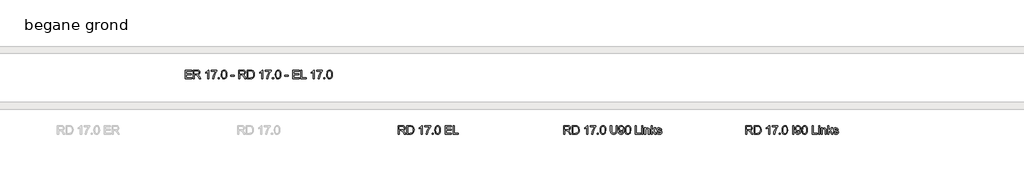
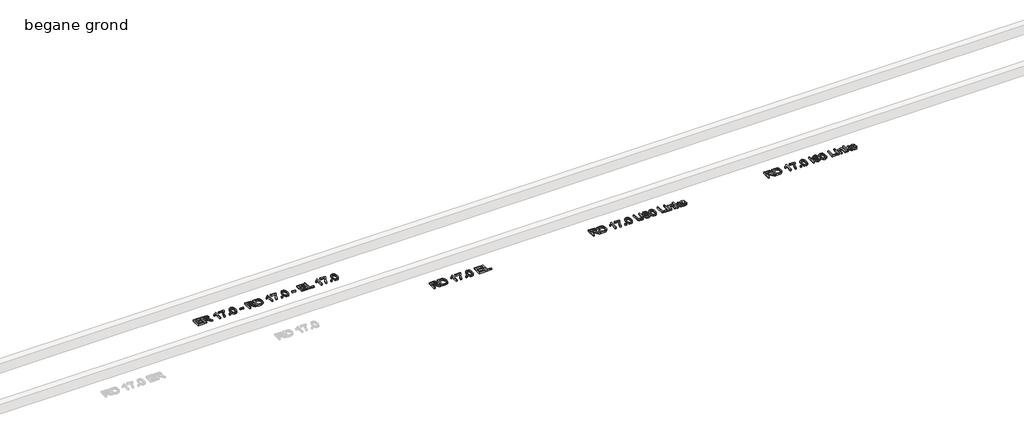
# One storey, part 4 of 4: 4 proxies.
"""IFC4 building model written with IfcOpenShell, lengths in millimetres."""

from ifc_helpers import new_model, si_unit, origin, origin_with_axes, place, context, project, spatial, polyline, outline, extrude, element, save

model = new_model("IFC4")

# Units and contexts
model_context = context("Model", 3, world=origin())
ifc_project = project(units=[si_unit("LENGTHUNIT", "METRE", prefix="MILLI")], contexts=[model_context])

# Site, building, storey
site = spatial("IfcSite", under=ifc_project)
building = spatial("IfcBuilding", under=site)
storey = spatial("IfcBuildingStorey", under=building, Name="begane grond", Elevation=0.0)

# Proxies
placement = place(None, origin())
element("IfcBuildingElementProxy", 1, Name="Generic Models", at=placement, inside=storey, context=model_context, shape_type="SweptSolid", body=[
    extrude(outline(polyline([(-1065.8217936, 32457.4574186), (-1065.8217936, 32580.5343417), (-977.3602552, 32580.5343417), (-977.3602552, 32565.1497263), (-1050.4371783, 32565.1497263), (-1050.4371783, 32528.6112647), (-981.206409, 32528.6112647), (-981.206409, 32513.2266494), (-1050.4371783, 32513.2266494), (-1050.4371783, 32472.842034), (-975.4371783, 32472.842034), (-975.4371783, 32457.4574186), (-1065.8217936, 32457.4574186)])), origin_with_axes(), (0.0, 0.0, 1.0), 20.0),
    extrude(outline(polyline([(-952.3602552, 32457.4574186), (-952.3602552, 32580.5343417), (-899.3253994, 32580.5343417), (-874.7010004, 32577.2140292), (-861.2394619, 32565.4652311), (-856.206409, 32546.8504474), (-858.2909944, 32534.7260484), (-864.5447504, 32524.6749667), (-875.1554775, 32517.3056758), (-890.3109763, 32513.2266494), (-881.566986, 32506.6461205), (-869.097034, 32490.810784), (-848.5741975, 32457.4574186), (-866.4528033, 32457.4574186), (-882.4684283, 32482.9682359), (-894.0369379, 32499.8552551), (-902.1649427, 32507.8330195), (-909.4816494, 32510.762707), (-918.4059283, 32511.3035724), (-936.9756398, 32511.3035724), (-936.9756398, 32457.4574186), (-952.3602552, 32457.4574186)]), holes=[polyline([(-936.9756398, 32526.6881878), (-902.5405436, 32526.6881878), (-884.9774427, 32528.8666734), (-875.0014811, 32535.8378272), (-871.5910244, 32546.279534), (-873.2173766, 32553.7840412), (-878.0964331, 32559.8312167), (-886.4911146, 32563.8200989), (-898.6643417, 32565.1497263), (-936.9756398, 32565.1497263), (-936.9756398, 32526.6881878)])]), origin_with_axes(), (0.0, 0.0, 1.0), 20.0),
    extrude(outline(polyline([(-729.2833321, 32457.4574186), (-744.6679475, 32457.4574186), (-744.6679475, 32553.3708801), (-759.2412648, 32542.9892695), (-775.4371783, 32535.2218417), (-775.4371783, 32549.7651109), (-752.8860965, 32564.1581397), (-739.1991975, 32580.5343417), (-729.2833321, 32580.5343417), (-729.2833321, 32457.4574186)])), origin_with_axes(), (0.0, 0.0, 1.0), 20.0),
    extrude(outline(polyline([(-692.7448706, 32563.2266494), (-692.7448706, 32578.6112647), (-611.9756398, 32578.6112647), (-611.9756398, 32566.1713609), (-634.8872985, 32533.0734042), (-652.4203513, 32490.9009282), (-658.129486, 32457.4574186), (-673.5141013, 32457.4574186), (-667.3993177, 32492.1629474), (-650.6174667, 32531.3907119), (-627.3602552, 32563.2266494), (-692.7448706, 32563.2266494)])), origin_with_axes(), (0.0, 0.0, 1.0), 20.0),
    extrude(outline(polyline([(-590.8217936, 32457.4574186), (-590.8217936, 32472.842034), (-575.4371783, 32472.842034), (-575.4371783, 32457.4574186), (-590.8217936, 32457.4574186)])), origin_with_axes(), (0.0, 0.0, 1.0), 20.0),
    extrude(outline(polyline([(-550.4371783, 32518.0042936), (-545.9149427, 32553.4159522), (-540.2959523, 32565.3788429), (-532.4834523, 32573.8336205), (-522.4211025, 32578.8591614), (-510.0525629, 32580.5343417), (-492.0838129, 32576.5679955), (-479.6739571, 32565.1347022), (-472.4624186, 32546.9255676), (-469.6679475, 32518.0042936), (-474.145111, 32482.7428753), (-479.7302972, 32470.7687167), (-487.5315292, 32462.2801349), (-497.616415, 32457.22079), (-510.0525629, 32455.5343417), (-526.0381398, 32458.4640292), (-538.1775629, 32467.2530917), (-547.3722744, 32488.0688969), (-550.4371783, 32518.0042936)]), holes=[polyline([(-535.0525629, 32518.0343417), (-533.2496783, 32493.8343717), (-527.8410244, 32479.8282119), (-519.7881398, 32473.1462707), (-510.0525629, 32470.918957), (-500.316986, 32473.1537828), (-492.2641013, 32479.8582599), (-486.8554475, 32493.8719318), (-485.0525629, 32518.0343417), (-486.7953513, 32541.6896902), (-492.0237167, 32555.8047744), (-500.0615773, 32562.8134883), (-510.2328513, 32565.1497263), (-519.86326, 32563.091433), (-527.6006398, 32556.9165532), (-533.1895821, 32541.9225628), (-535.0525629, 32518.0343417)])]), origin_with_axes(), (0.0, 0.0, 1.0), 20.0),
    extrude(outline(polyline([(-411.9756398, 32493.9958801), (-411.9756398, 32509.3804955), (-363.8987167, 32509.3804955), (-363.8987167, 32493.9958801), (-411.9756398, 32493.9958801)])), origin_with_axes(), (0.0, 0.0, 1.0), 20.0),
    extrude(outline(polyline([(-296.5910244, 32457.4574186), (-296.5910244, 32580.5343417), (-243.5561686, 32580.5343417), (-218.9317696, 32577.2140292), (-205.4702311, 32565.4652311), (-200.4371783, 32546.8504474), (-202.5217636, 32534.7260484), (-208.7755196, 32524.6749667), (-219.3862468, 32517.3056758), (-234.5417456, 32513.2266494), (-225.7977552, 32506.6461205), (-213.3278033, 32490.810784), (-192.8049667, 32457.4574186), (-210.6835725, 32457.4574186), (-226.6991975, 32482.9682359), (-238.2677071, 32499.8552551), (-246.3957119, 32507.8330195), (-253.7124186, 32510.762707), (-262.6366975, 32511.3035724), (-281.206409, 32511.3035724), (-281.206409, 32457.4574186), (-296.5910244, 32457.4574186)]), holes=[polyline([(-281.206409, 32526.6881878), (-246.7713129, 32526.6881878), (-229.2082119, 32528.8666734), (-219.2322504, 32535.8378272), (-215.8217936, 32546.279534), (-217.4481458, 32553.7840412), (-222.3272023, 32559.8312167), (-230.7218838, 32563.8200989), (-242.895111, 32565.1497263), (-281.206409, 32565.1497263), (-281.206409, 32526.6881878)])]), origin_with_axes(), (0.0, 0.0, 1.0), 20.0),
    extrude(outline(polyline([(-173.5141013, 32457.4574186), (-173.5141013, 32580.5343417), (-131.0561686, 32580.5343417), (-109.0910244, 32578.7615051), (-91.0020821, 32569.9574186), (-82.4909643, 32560.5824186), (-76.4287648, 32548.9237647), (-71.5910244, 32519.6569378), (-74.8662648, 32494.8222022), (-83.2797263, 32476.8985244), (-94.5177071, 32465.7356638), (-109.2262408, 32459.560784), (-129.0128994, 32457.4574186), (-173.5141013, 32457.4574186)]), holes=[polyline([(-158.129486, 32472.842034), (-130.9059283, 32472.842034), (-111.1042456, 32475.0655917), (-99.6859763, 32481.3456397), (-90.3260004, 32496.6250869), (-86.9756398, 32519.8973224), (-88.617016, 32536.6641494), (-93.5411446, 32549.043957), (-100.8165352, 32557.5475628), (-109.5116975, 32562.685784), (-131.3266013, 32565.1497263), (-158.129486, 32565.1497263), (-158.129486, 32472.842034)])]), origin_with_axes(), (0.0, 0.0, 1.0), 20.0),
    extrude(outline(polyline([(49.5628217, 32457.4574186), (34.1782064, 32457.4574186), (34.1782064, 32553.3708801), (19.604889, 32542.9892695), (3.4089756, 32535.2218417), (3.4089756, 32549.7651109), (25.9600573, 32564.1581397), (39.6469564, 32580.5343417), (49.5628217, 32580.5343417), (49.5628217, 32457.4574186)])), origin_with_axes(), (0.0, 0.0, 1.0), 20.0),
    extrude(outline(polyline([(86.1012833, 32563.2266494), (86.1012833, 32578.6112647), (166.870514, 32578.6112647), (166.870514, 32566.1713609), (143.9588554, 32533.0734042), (126.4258025, 32490.9009282), (120.7166679, 32457.4574186), (105.3320525, 32457.4574186), (111.4468362, 32492.1629474), (128.2286871, 32531.3907119), (151.4858987, 32563.2266494), (86.1012833, 32563.2266494)])), origin_with_axes(), (0.0, 0.0, 1.0), 20.0),
    extrude(outline(polyline([(188.0243602, 32457.4574186), (188.0243602, 32472.842034), (203.4089756, 32472.842034), (203.4089756, 32457.4574186), (188.0243602, 32457.4574186)])), origin_with_axes(), (0.0, 0.0, 1.0), 20.0),
    extrude(outline(polyline([(228.4089756, 32518.0042936), (232.9312112, 32553.4159522), (238.5502015, 32565.3788429), (246.3627015, 32573.8336205), (256.4250513, 32578.8591614), (268.793591, 32580.5343417), (286.762341, 32576.5679955), (299.1721967, 32565.1347022), (306.3837352, 32546.9255676), (309.1782064, 32518.0042936), (304.7010429, 32482.7428753), (299.1158566, 32470.7687167), (291.3146246, 32462.2801349), (281.2297388, 32457.22079), (268.793591, 32455.5343417), (252.808014, 32458.4640292), (240.668591, 32467.2530917), (231.4738794, 32488.0688969), (228.4089756, 32518.0042936)]), holes=[polyline([(243.793591, 32518.0343417), (245.5964756, 32493.8343717), (251.0051294, 32479.8282119), (259.058014, 32473.1462707), (268.793591, 32470.918957), (278.5291679, 32473.1537828), (286.5820525, 32479.8582599), (291.9907064, 32493.8719318), (293.793591, 32518.0343417), (292.0508025, 32541.6896902), (286.8224371, 32555.8047744), (278.7845765, 32562.8134883), (268.6133025, 32565.1497263), (258.9828939, 32563.091433), (251.245514, 32556.9165532), (245.6565717, 32541.9225628), (243.793591, 32518.0343417)])]), origin_with_axes(), (0.0, 0.0, 1.0), 20.0),
    extrude(outline(polyline([(366.870514, 32493.9958801), (366.870514, 32509.3804955), (414.9474371, 32509.3804955), (414.9474371, 32493.9958801), (366.870514, 32493.9958801)])), origin_with_axes(), (0.0, 0.0, 1.0), 20.0),
    extrude(outline(polyline([(482.2551294, 32457.4574186), (482.2551294, 32580.5343417), (570.7166679, 32580.5343417), (570.7166679, 32565.1497263), (497.6397448, 32565.1497263), (497.6397448, 32528.6112647), (566.870514, 32528.6112647), (566.870514, 32513.2266494), (497.6397448, 32513.2266494), (497.6397448, 32472.842034), (572.6397448, 32472.842034), (572.6397448, 32457.4574186), (482.2551294, 32457.4574186)])), origin_with_axes(), (0.0, 0.0, 1.0), 20.0),
    extrude(outline(polyline([(595.7166679, 32457.4574186), (595.7166679, 32580.5343417), (611.1012833, 32580.5343417), (611.1012833, 32472.842034), (672.6397448, 32472.842034), (672.6397448, 32457.4574186), (595.7166679, 32457.4574186)])), origin_with_axes(), (0.0, 0.0, 1.0), 20.0),
    extrude(outline(polyline([(789.9474371, 32457.4574186), (774.5628217, 32457.4574186), (774.5628217, 32553.3708801), (759.9895044, 32542.9892695), (743.793591, 32535.2218417), (743.793591, 32549.7651109), (766.3446727, 32564.1581397), (780.0315717, 32580.5343417), (789.9474371, 32580.5343417), (789.9474371, 32457.4574186)])), origin_with_axes(), (0.0, 0.0, 1.0), 20.0),
    extrude(outline(polyline([(826.4858987, 32563.2266494), (826.4858987, 32578.6112647), (907.2551294, 32578.6112647), (907.2551294, 32566.1713609), (884.3434708, 32533.0734042), (866.8104179, 32490.9009282), (861.1012833, 32457.4574186), (845.7166679, 32457.4574186), (851.8314515, 32492.1629474), (868.6133025, 32531.3907119), (891.870514, 32563.2266494), (826.4858987, 32563.2266494)])), origin_with_axes(), (0.0, 0.0, 1.0), 20.0),
    extrude(outline(polyline([(928.4089756, 32457.4574186), (928.4089756, 32472.842034), (943.793591, 32472.842034), (943.793591, 32457.4574186), (928.4089756, 32457.4574186)])), origin_with_axes(), (0.0, 0.0, 1.0), 20.0),
    extrude(outline(polyline([(968.793591, 32518.0042936), (973.3158265, 32553.4159522), (978.9348169, 32565.3788429), (986.7473169, 32573.8336205), (996.8096667, 32578.8591614), (1009.1782064, 32580.5343417), (1027.1469564, 32576.5679955), (1039.5568121, 32565.1347022), (1046.7683506, 32546.9255676), (1049.5628217, 32518.0042936), (1045.0856583, 32482.7428753), (1039.500472, 32470.7687167), (1031.69924, 32462.2801349), (1021.6143542, 32457.22079), (1009.1782064, 32455.5343417), (993.1926294, 32458.4640292), (981.0532064, 32467.2530917), (971.8584948, 32488.0688969), (968.793591, 32518.0042936)]), holes=[polyline([(984.1782064, 32518.0343417), (985.981091, 32493.8343717), (991.3897448, 32479.8282119), (999.4426294, 32473.1462707), (1009.1782064, 32470.918957), (1018.9137833, 32473.1537828), (1026.9666679, 32479.8582599), (1032.3753217, 32493.8719318), (1034.1782064, 32518.0343417), (1032.4354179, 32541.6896902), (1027.2070525, 32555.8047744), (1019.1691919, 32562.8134883), (1008.9979179, 32565.1497263), (999.3675092, 32563.091433), (991.6301294, 32556.9165532), (986.0411871, 32541.9225628), (984.1782064, 32518.0343417)])]), origin_with_axes(), (0.0, 0.0, 1.0), 20.0),
])
element("IfcBuildingElementProxy", 2, Name="Generic Models", at=placement, inside=storey, context=model_context, shape_type="SweptSolid", body=[
    extrude(outline(polyline([(2001.4858987, 31657.4574186), (2001.4858987, 31780.5343417), (2054.5207544, 31780.5343417), (2079.1451535, 31777.2140292), (2092.6066919, 31765.4652311), (2097.6397448, 31746.8504474), (2095.5551595, 31734.7260484), (2089.3014035, 31724.6749667), (2078.6906763, 31717.3056758), (2063.5351775, 31713.2266494), (2072.2791679, 31706.6461205), (2084.7491198, 31690.810784), (2105.2719564, 31657.4574186), (2087.3933506, 31657.4574186), (2071.3777256, 31682.9682359), (2059.809216, 31699.8552551), (2051.6812112, 31707.8330195), (2044.3645044, 31710.762707), (2035.4402256, 31711.3035724), (2016.870514, 31711.3035724), (2016.870514, 31657.4574186), (2001.4858987, 31657.4574186)]), holes=[polyline([(2016.870514, 31726.6881878), (2051.3056102, 31726.6881878), (2068.8687112, 31728.8666734), (2078.8446727, 31735.8378272), (2082.2551294, 31746.279534), (2080.6287773, 31753.7840412), (2075.7497208, 31759.8312167), (2067.3550393, 31763.8200989), (2055.1818121, 31765.1497263), (2016.870514, 31765.1497263), (2016.870514, 31726.6881878)])]), origin_with_axes(), (0.0, 0.0, 1.0), 20.0),
    extrude(outline(polyline([(2124.5628217, 31657.4574186), (2124.5628217, 31780.5343417), (2167.0207544, 31780.5343417), (2188.9858987, 31778.7615051), (2207.074841, 31769.9574186), (2215.5859588, 31760.5824186), (2221.6481583, 31748.9237647), (2226.4858987, 31719.6569378), (2223.2106583, 31694.8222022), (2214.7971967, 31676.8985244), (2203.559216, 31665.7356638), (2188.8506823, 31659.560784), (2169.0640237, 31657.4574186), (2124.5628217, 31657.4574186)]), holes=[polyline([(2139.9474371, 31672.842034), (2167.1709948, 31672.842034), (2186.9726775, 31675.0655917), (2198.3909467, 31681.3456397), (2207.7509227, 31696.6250869), (2211.1012833, 31719.8973224), (2209.4599071, 31736.6641494), (2204.5357785, 31749.043957), (2197.2603878, 31757.5475628), (2188.5652256, 31762.685784), (2166.7503217, 31765.1497263), (2139.9474371, 31765.1497263), (2139.9474371, 31672.842034)])]), origin_with_axes(), (0.0, 0.0, 1.0), 20.0),
    extrude(outline(polyline([(2347.6397448, 31657.4574186), (2332.2551294, 31657.4574186), (2332.2551294, 31753.3708801), (2317.6818121, 31742.9892695), (2301.4858987, 31735.2218417), (2301.4858987, 31749.7651109), (2324.0369804, 31764.1581397), (2337.7238794, 31780.5343417), (2347.6397448, 31780.5343417), (2347.6397448, 31657.4574186)])), origin_with_axes(), (0.0, 0.0, 1.0), 20.0),
    extrude(outline(polyline([(2384.1782064, 31763.2266494), (2384.1782064, 31778.6112647), (2464.9474371, 31778.6112647), (2464.9474371, 31766.1713609), (2442.0357785, 31733.0734042), (2424.5027256, 31690.9009282), (2418.793591, 31657.4574186), (2403.4089756, 31657.4574186), (2409.5237592, 31692.1629474), (2426.3056102, 31731.3907119), (2449.5628217, 31763.2266494), (2384.1782064, 31763.2266494)])), origin_with_axes(), (0.0, 0.0, 1.0), 20.0),
    extrude(outline(polyline([(2486.1012833, 31657.4574186), (2486.1012833, 31672.842034), (2501.4858987, 31672.842034), (2501.4858987, 31657.4574186), (2486.1012833, 31657.4574186)])), origin_with_axes(), (0.0, 0.0, 1.0), 20.0),
    extrude(outline(polyline([(2526.4858987, 31718.0042936), (2531.0081342, 31753.4159522), (2536.6271246, 31765.3788429), (2544.4396246, 31773.8336205), (2554.5019744, 31778.8591614), (2566.870514, 31780.5343417), (2584.839264, 31776.5679955), (2597.2491198, 31765.1347022), (2604.4606583, 31746.9255676), (2607.2551294, 31718.0042936), (2602.777966, 31682.7428753), (2597.1927797, 31670.7687167), (2589.3915477, 31662.2801349), (2579.3066619, 31657.22079), (2566.870514, 31655.5343417), (2550.8849371, 31658.4640292), (2538.745514, 31667.2530917), (2529.5508025, 31688.0688969), (2526.4858987, 31718.0042936)]), holes=[polyline([(2541.870514, 31718.0343417), (2543.6733987, 31693.8343717), (2549.0820525, 31679.8282119), (2557.1349371, 31673.1462707), (2566.870514, 31670.918957), (2576.606091, 31673.1537828), (2584.6589756, 31679.8582599), (2590.0676294, 31693.8719318), (2591.870514, 31718.0343417), (2590.1277256, 31741.6896902), (2584.8993602, 31755.8047744), (2576.8614996, 31762.8134883), (2566.6902256, 31765.1497263), (2557.0598169, 31763.091433), (2549.3224371, 31756.9165532), (2543.7334948, 31741.9225628), (2541.870514, 31718.0343417)])]), origin_with_axes(), (0.0, 0.0, 1.0), 20.0),
    extrude(outline(polyline([(2674.5628217, 31657.4574186), (2674.5628217, 31780.5343417), (2763.0243602, 31780.5343417), (2763.0243602, 31765.1497263), (2689.9474371, 31765.1497263), (2689.9474371, 31728.6112647), (2759.1782064, 31728.6112647), (2759.1782064, 31713.2266494), (2689.9474371, 31713.2266494), (2689.9474371, 31672.842034), (2764.9474371, 31672.842034), (2764.9474371, 31657.4574186), (2674.5628217, 31657.4574186)])), origin_with_axes(), (0.0, 0.0, 1.0), 20.0),
    extrude(outline(polyline([(2788.0243602, 31657.4574186), (2788.0243602, 31780.5343417), (2803.4089756, 31780.5343417), (2803.4089756, 31672.842034), (2864.9474371, 31672.842034), (2864.9474371, 31657.4574186), (2788.0243602, 31657.4574186)])), origin_with_axes(), (0.0, 0.0, 1.0), 20.0),
])
element("IfcBuildingElementProxy", 3, Name="Generic Models", at=placement, inside=storey, context=model_context, shape_type="SweptSolid", body=[
    extrude(outline(polyline([(4381.4858987, 31657.4574186), (4381.4858987, 31780.5343417), (4434.5207544, 31780.5343417), (4459.1451535, 31777.2140292), (4472.6066919, 31765.4652311), (4477.6397448, 31746.8504474), (4475.5551595, 31734.7260484), (4469.3014035, 31724.6749667), (4458.6906763, 31717.3056758), (4443.5351775, 31713.2266494), (4452.2791679, 31706.6461205), (4464.7491198, 31690.810784), (4485.2719564, 31657.4574186), (4467.3933506, 31657.4574186), (4451.3777256, 31682.9682359), (4439.809216, 31699.8552551), (4431.6812112, 31707.8330195), (4424.3645044, 31710.762707), (4415.4402256, 31711.3035724), (4396.870514, 31711.3035724), (4396.870514, 31657.4574186), (4381.4858987, 31657.4574186)]), holes=[polyline([(4396.870514, 31726.6881878), (4431.3056102, 31726.6881878), (4448.8687112, 31728.8666734), (4458.8446727, 31735.8378272), (4462.2551294, 31746.279534), (4460.6287773, 31753.7840412), (4455.7497208, 31759.8312167), (4447.3550393, 31763.8200989), (4435.1818121, 31765.1497263), (4396.870514, 31765.1497263), (4396.870514, 31726.6881878)])]), origin_with_axes(), (0.0, 0.0, 1.0), 20.0),
    extrude(outline(polyline([(4504.5628217, 31657.4574186), (4504.5628217, 31780.5343417), (4547.0207544, 31780.5343417), (4568.9858987, 31778.7615051), (4587.074841, 31769.9574186), (4595.5859588, 31760.5824186), (4601.6481583, 31748.9237647), (4606.4858987, 31719.6569378), (4603.2106583, 31694.8222022), (4594.7971967, 31676.8985244), (4583.559216, 31665.7356638), (4568.8506823, 31659.560784), (4549.0640237, 31657.4574186), (4504.5628217, 31657.4574186)]), holes=[polyline([(4519.9474371, 31672.842034), (4547.1709948, 31672.842034), (4566.9726775, 31675.0655917), (4578.3909467, 31681.3456397), (4587.7509227, 31696.6250869), (4591.1012833, 31719.8973224), (4589.4599071, 31736.6641494), (4584.5357785, 31749.043957), (4577.2603878, 31757.5475628), (4568.5652256, 31762.685784), (4546.7503217, 31765.1497263), (4519.9474371, 31765.1497263), (4519.9474371, 31672.842034)])]), origin_with_axes(), (0.0, 0.0, 1.0), 20.0),
    extrude(outline(polyline([(4727.6397448, 31657.4574186), (4712.2551294, 31657.4574186), (4712.2551294, 31753.3708801), (4697.6818121, 31742.9892695), (4681.4858987, 31735.2218417), (4681.4858987, 31749.7651109), (4704.0369804, 31764.1581397), (4717.7238794, 31780.5343417), (4727.6397448, 31780.5343417), (4727.6397448, 31657.4574186)])), origin_with_axes(), (0.0, 0.0, 1.0), 20.0),
    extrude(outline(polyline([(4764.1782064, 31763.2266494), (4764.1782064, 31778.6112647), (4844.9474371, 31778.6112647), (4844.9474371, 31766.1713609), (4822.0357785, 31733.0734042), (4804.5027256, 31690.9009282), (4798.793591, 31657.4574186), (4783.4089756, 31657.4574186), (4789.5237592, 31692.1629474), (4806.3056102, 31731.3907119), (4829.5628217, 31763.2266494), (4764.1782064, 31763.2266494)])), origin_with_axes(), (0.0, 0.0, 1.0), 20.0),
    extrude(outline(polyline([(4866.1012833, 31657.4574186), (4866.1012833, 31672.842034), (4881.4858987, 31672.842034), (4881.4858987, 31657.4574186), (4866.1012833, 31657.4574186)])), origin_with_axes(), (0.0, 0.0, 1.0), 20.0),
    extrude(outline(polyline([(4906.4858987, 31718.0042936), (4911.0081342, 31753.4159522), (4916.6271246, 31765.3788429), (4924.4396246, 31773.8336205), (4934.5019744, 31778.8591614), (4946.870514, 31780.5343417), (4964.839264, 31776.5679955), (4977.2491198, 31765.1347022), (4984.4606583, 31746.9255676), (4987.2551294, 31718.0042936), (4982.777966, 31682.7428753), (4977.1927797, 31670.7687167), (4969.3915477, 31662.2801349), (4959.3066619, 31657.22079), (4946.870514, 31655.5343417), (4930.8849371, 31658.4640292), (4918.745514, 31667.2530917), (4909.5508025, 31688.0688969), (4906.4858987, 31718.0042936)]), holes=[polyline([(4921.870514, 31718.0343417), (4923.6733987, 31693.8343717), (4929.0820525, 31679.8282119), (4937.1349371, 31673.1462707), (4946.870514, 31670.918957), (4956.606091, 31673.1537828), (4964.6589756, 31679.8582599), (4970.0676294, 31693.8719318), (4971.870514, 31718.0343417), (4970.1277256, 31741.6896902), (4964.8993602, 31755.8047744), (4956.8614996, 31762.8134883), (4946.6902256, 31765.1497263), (4937.0598169, 31763.091433), (4929.3224371, 31756.9165532), (4923.7334948, 31741.9225628), (4921.870514, 31718.0343417)])]), origin_with_axes(), (0.0, 0.0, 1.0), 20.0),
    extrude(outline(polyline([(5135.3320525, 31780.5343417), (5150.7166679, 31780.5343417), (5150.7166679, 31709.5307359), (5146.5399852, 31680.0986445), (5140.6881222, 31670.2203393), (5131.4858987, 31662.3702792), (5118.9107785, 31657.243326), (5102.9402256, 31655.5343417), (5087.3189816, 31657.0217215), (5074.8302496, 31661.4838609), (5065.4702737, 31668.7667635), (5059.2352977, 31678.716433), (5054.5628217, 31709.5307359), (5054.5628217, 31780.5343417), (5069.9474371, 31780.5343417), (5069.9474371, 31710.0716013), (5072.9822929, 31686.6190772), (5083.4089756, 31675.0054955), (5101.4979179, 31670.918957), (5117.145454, 31672.9396902), (5127.5496006, 31679.0018897), (5133.3864395, 31690.810784), (5135.3320525, 31710.0716013), (5135.3320525, 31780.5343417)])), origin_with_axes(), (0.0, 0.0, 1.0), 20.0),
    extrude(outline(polyline([(5173.793591, 31688.2266494), (5189.1782064, 31690.1497263), (5196.089264, 31675.4712407), (5209.1902256, 31670.918957), (5221.6451535, 31673.8486445), (5230.0886631, 31681.6761686), (5235.121716, 31695.0475628), (5237.3452737, 31712.8961205), (5237.2551294, 31715.9009282), (5224.9504419, 31704.2422744), (5208.0784467, 31699.7651109), (5194.0497508, 31702.4994859), (5182.3723169, 31710.7026109), (5174.4959648, 31723.3753873), (5171.870514, 31739.5187167), (5174.6236691, 31756.1953994), (5182.8831342, 31769.2663128), (5195.289234, 31777.7173344), (5210.4822929, 31780.5343417), (5221.9569023, 31778.9267695), (5232.402365, 31774.1040532), (5241.1388434, 31766.3065772), (5247.4864996, 31755.7747263), (5251.3514335, 31741.216433), (5252.6397448, 31721.3396301), (5251.3551895, 31700.2646602), (5247.5015237, 31683.9748465), (5241.1125513, 31671.7340111), (5232.2220765, 31662.8059763), (5221.2132124, 31657.3522503), (5208.4690717, 31655.5343417), (5195.3155261, 31657.6790232), (5184.8212352, 31664.1130676), (5177.4819924, 31674.430826), (5173.793591, 31688.2266494)]), holes=[polyline([(5237.2551294, 31739.8792936), (5235.5949732, 31750.3059763), (5230.6145044, 31758.3288128), (5222.8846366, 31763.4444979), (5212.9762833, 31765.1497263), (5202.699841, 31763.3130376), (5194.4666679, 31757.8029715), (5189.058014, 31749.3707299), (5187.2551294, 31738.7675147), (5188.9603578, 31729.2610544), (5194.0760429, 31721.7152311), (5202.1063915, 31716.7911025), (5212.5556102, 31715.1497263), (5222.3850874, 31716.7911025), (5230.2989996, 31721.7152311), (5235.516097, 31729.5389991), (5237.2551294, 31739.8792936)])]), origin_with_axes(), (0.0, 0.0, 1.0), 20.0),
    extrude(outline(polyline([(5266.1012833, 31718.0042936), (5270.6235189, 31753.4159522), (5276.2425092, 31765.3788429), (5284.0550092, 31773.8336205), (5294.117359, 31778.8591614), (5306.4858987, 31780.5343417), (5324.4546487, 31776.5679955), (5336.8645044, 31765.1347022), (5344.0760429, 31746.9255676), (5346.870514, 31718.0042936), (5342.3933506, 31682.7428753), (5336.8081643, 31670.7687167), (5329.0069323, 31662.2801349), (5318.9220465, 31657.22079), (5306.4858987, 31655.5343417), (5290.5003217, 31658.4640292), (5278.3608987, 31667.2530917), (5269.1661871, 31688.0688969), (5266.1012833, 31718.0042936)]), holes=[polyline([(5281.4858987, 31718.0343417), (5283.2887833, 31693.8343717), (5288.6974371, 31679.8282119), (5296.7503217, 31673.1462707), (5306.4858987, 31670.918957), (5316.2214756, 31673.1537828), (5324.2743602, 31679.8582599), (5329.683014, 31693.8719318), (5331.4858987, 31718.0343417), (5329.7431102, 31741.6896902), (5324.5147448, 31755.8047744), (5316.4768842, 31762.8134883), (5306.3056102, 31765.1497263), (5296.6752015, 31763.091433), (5288.9378217, 31756.9165532), (5283.3488794, 31741.9225628), (5281.4858987, 31718.0343417)])]), origin_with_axes(), (0.0, 0.0, 1.0), 20.0),
    extrude(outline(polyline([(5414.1782064, 31657.4574186), (5414.1782064, 31780.5343417), (5429.5628217, 31780.5343417), (5429.5628217, 31672.842034), (5491.1012833, 31672.842034), (5491.1012833, 31657.4574186), (5414.1782064, 31657.4574186)])), origin_with_axes(), (0.0, 0.0, 1.0), 20.0),
    extrude(outline(polyline([(5506.4858987, 31657.4574186), (5506.4858987, 31747.842034), (5521.870514, 31747.842034), (5521.870514, 31657.4574186), (5506.4858987, 31657.4574186)])), origin_with_axes(), (0.0, 0.0, 1.0), 20.0),
    extrude(outline(polyline([(5506.4858987, 31765.1497263), (5506.4858987, 31780.5343417), (5521.870514, 31780.5343417), (5521.870514, 31765.1497263), (5506.4858987, 31765.1497263)])), origin_with_axes(), (0.0, 0.0, 1.0), 20.0),
    extrude(outline(polyline([(5544.9474371, 31657.4574186), (5544.9474371, 31747.842034), (5560.3320525, 31747.842034), (5560.3320525, 31735.2218417), (5572.0958746, 31746.1292936), (5588.1565717, 31749.7651109), (5602.6848169, 31746.8354234), (5612.6006823, 31739.1431157), (5617.2130621, 31727.8300147), (5618.0243602, 31712.9562167), (5618.0243602, 31657.4574186), (5602.6397448, 31657.4574186), (5602.6397448, 31710.8828994), (5600.8669083, 31724.4946782), (5594.6018842, 31731.6911926), (5584.0399852, 31734.3804955), (5575.0293181, 31732.8705796), (5567.3482785, 31728.340832), (5562.086109, 31719.5893296), (5560.3320525, 31705.4141494), (5560.3320525, 31657.4574186), (5544.9474371, 31657.4574186)])), origin_with_axes(), (0.0, 0.0, 1.0), 20.0),
    extrude(outline(polyline([(5639.1782064, 31657.4574186), (5639.1782064, 31780.5343417), (5654.5628217, 31780.5343417), (5654.5628217, 31714.3985244), (5689.058014, 31747.842034), (5710.3320525, 31747.842034), (5675.4161871, 31713.9778513), (5712.2551294, 31657.4574186), (5694.2863794, 31657.4574186), (5664.3885429, 31703.2807359), (5654.5628217, 31693.7554955), (5654.5628217, 31657.4574186), (5639.1782064, 31657.4574186)])), origin_with_axes(), (0.0, 0.0, 1.0), 20.0),
    extrude(outline(polyline([(5719.9474371, 31684.3804955), (5735.3320525, 31686.3035724), (5742.4534467, 31674.8853032), (5758.7695525, 31670.918957), (5774.4546487, 31674.5547744), (5779.5628217, 31683.0884282), (5774.4246006, 31689.9994859), (5758.589264, 31694.3865051), (5735.4221967, 31701.9135484), (5725.3110189, 31710.7026109), (5721.870514, 31723.1124667), (5724.6349371, 31734.575808), (5732.1770044, 31743.3348224), (5741.9576535, 31747.8871061), (5755.1938314, 31749.7651109), (5773.9137833, 31746.7452792), (5785.8128217, 31738.5722022), (5791.1012833, 31724.7651109), (5775.7166679, 31722.842034), (5769.9324131, 31731.3306157), (5756.3957544, 31734.3804955), (5741.6721967, 31731.465832), (5737.2551294, 31724.6749667), (5739.0880621, 31720.1978032), (5744.8272448, 31716.8023705), (5758.0784467, 31713.5271301), (5780.6595765, 31706.2855436), (5791.1463554, 31698.0824186), (5794.9474371, 31684.7110244), (5790.4852977, 31669.9874667), (5777.6096967, 31659.3053753), (5758.559216, 31655.5343417), (5743.0468963, 31657.3522503), (5731.7262833, 31662.8059763), (5724.1691919, 31671.8354234), (5719.9474371, 31684.3804955)])), origin_with_axes(), (0.0, 0.0, 1.0), 20.0),
])
element("IfcBuildingElementProxy", 4, Name="Generic Models", at=placement, inside=storey, context=model_context, shape_type="SweptSolid", body=[
    extrude(outline(polyline([(7001.4858987, 31657.4574186), (7001.4858987, 31780.5343417), (7054.5207544, 31780.5343417), (7079.1451535, 31777.2140292), (7092.6066919, 31765.4652311), (7097.6397448, 31746.8504474), (7095.5551595, 31734.7260484), (7089.3014035, 31724.6749667), (7078.6906763, 31717.3056758), (7063.5351775, 31713.2266494), (7072.2791679, 31706.6461205), (7084.7491198, 31690.810784), (7105.2719564, 31657.4574186), (7087.3933506, 31657.4574186), (7071.3777256, 31682.9682359), (7059.809216, 31699.8552551), (7051.6812112, 31707.8330195), (7044.3645044, 31710.762707), (7035.4402256, 31711.3035724), (7016.870514, 31711.3035724), (7016.870514, 31657.4574186), (7001.4858987, 31657.4574186)]), holes=[polyline([(7016.870514, 31726.6881878), (7051.3056102, 31726.6881878), (7068.8687112, 31728.8666734), (7078.8446727, 31735.8378272), (7082.2551294, 31746.279534), (7080.6287773, 31753.7840412), (7075.7497208, 31759.8312167), (7067.3550393, 31763.8200989), (7055.1818121, 31765.1497263), (7016.870514, 31765.1497263), (7016.870514, 31726.6881878)])]), origin_with_axes(), (0.0, 0.0, 1.0), 20.0),
    extrude(outline(polyline([(7124.5628217, 31657.4574186), (7124.5628217, 31780.5343417), (7167.0207544, 31780.5343417), (7188.9858987, 31778.7615051), (7207.074841, 31769.9574186), (7215.5859588, 31760.5824186), (7221.6481583, 31748.9237647), (7226.4858987, 31719.6569378), (7223.2106583, 31694.8222022), (7214.7971967, 31676.8985244), (7203.559216, 31665.7356638), (7188.8506823, 31659.560784), (7169.0640237, 31657.4574186), (7124.5628217, 31657.4574186)]), holes=[polyline([(7139.9474371, 31672.842034), (7167.1709948, 31672.842034), (7186.9726775, 31675.0655917), (7198.3909467, 31681.3456397), (7207.7509227, 31696.6250869), (7211.1012833, 31719.8973224), (7209.4599071, 31736.6641494), (7204.5357785, 31749.043957), (7197.2603878, 31757.5475628), (7188.5652256, 31762.685784), (7166.7503217, 31765.1497263), (7139.9474371, 31765.1497263), (7139.9474371, 31672.842034)])]), origin_with_axes(), (0.0, 0.0, 1.0), 20.0),
    extrude(outline(polyline([(7347.6397448, 31657.4574186), (7332.2551294, 31657.4574186), (7332.2551294, 31753.3708801), (7317.6818121, 31742.9892695), (7301.4858987, 31735.2218417), (7301.4858987, 31749.7651109), (7324.0369804, 31764.1581397), (7337.7238794, 31780.5343417), (7347.6397448, 31780.5343417), (7347.6397448, 31657.4574186)])), origin_with_axes(), (0.0, 0.0, 1.0), 20.0),
    extrude(outline(polyline([(7384.1782064, 31763.2266494), (7384.1782064, 31778.6112647), (7464.9474371, 31778.6112647), (7464.9474371, 31766.1713609), (7442.0357785, 31733.0734042), (7424.5027256, 31690.9009282), (7418.793591, 31657.4574186), (7403.4089756, 31657.4574186), (7409.5237592, 31692.1629474), (7426.3056102, 31731.3907119), (7449.5628217, 31763.2266494), (7384.1782064, 31763.2266494)])), origin_with_axes(), (0.0, 0.0, 1.0), 20.0),
    extrude(outline(polyline([(7486.1012833, 31657.4574186), (7486.1012833, 31672.842034), (7501.4858987, 31672.842034), (7501.4858987, 31657.4574186), (7486.1012833, 31657.4574186)])), origin_with_axes(), (0.0, 0.0, 1.0), 20.0),
    extrude(outline(polyline([(7526.4858987, 31718.0042936), (7531.0081342, 31753.4159522), (7536.6271246, 31765.3788429), (7544.4396246, 31773.8336205), (7554.5019744, 31778.8591614), (7566.870514, 31780.5343417), (7584.839264, 31776.5679955), (7597.2491198, 31765.1347022), (7604.4606583, 31746.9255676), (7607.2551294, 31718.0042936), (7602.777966, 31682.7428753), (7597.1927797, 31670.7687167), (7589.3915477, 31662.2801349), (7579.3066619, 31657.22079), (7566.870514, 31655.5343417), (7550.8849371, 31658.4640292), (7538.745514, 31667.2530917), (7529.5508025, 31688.0688969), (7526.4858987, 31718.0042936)]), holes=[polyline([(7541.870514, 31718.0343417), (7543.6733987, 31693.8343717), (7549.0820525, 31679.8282119), (7557.1349371, 31673.1462707), (7566.870514, 31670.918957), (7576.606091, 31673.1537828), (7584.6589756, 31679.8582599), (7590.0676294, 31693.8719318), (7591.870514, 31718.0343417), (7590.1277256, 31741.6896902), (7584.8993602, 31755.8047744), (7576.8614996, 31762.8134883), (7566.6902256, 31765.1497263), (7557.0598169, 31763.091433), (7549.3224371, 31756.9165532), (7543.7334948, 31741.9225628), (7541.870514, 31718.0343417)])]), origin_with_axes(), (0.0, 0.0, 1.0), 20.0),
    extrude(outline(polyline([(7676.4858987, 31657.4574186), (7676.4858987, 31780.5343417), (7691.870514, 31780.5343417), (7691.870514, 31657.4574186), (7676.4858987, 31657.4574186)])), origin_with_axes(), (0.0, 0.0, 1.0), 20.0),
    extrude(outline(polyline([(7718.793591, 31688.2266494), (7734.1782064, 31690.1497263), (7741.089264, 31675.4712407), (7754.1902256, 31670.918957), (7766.6451535, 31673.8486445), (7775.0886631, 31681.6761686), (7780.121716, 31695.0475628), (7782.3452737, 31712.8961205), (7782.2551294, 31715.9009282), (7769.9504419, 31704.2422744), (7753.0784467, 31699.7651109), (7739.0497508, 31702.4994859), (7727.3723169, 31710.7026109), (7719.4959648, 31723.3753873), (7716.870514, 31739.5187167), (7719.6236691, 31756.1953994), (7727.8831342, 31769.2663128), (7740.289234, 31777.7173344), (7755.4822929, 31780.5343417), (7766.9569023, 31778.9267695), (7777.402365, 31774.1040532), (7786.1388434, 31766.3065772), (7792.4864996, 31755.7747263), (7796.3514335, 31741.216433), (7797.6397448, 31721.3396301), (7796.3551895, 31700.2646602), (7792.5015237, 31683.9748465), (7786.1125513, 31671.7340111), (7777.2220765, 31662.8059763), (7766.2132124, 31657.3522503), (7753.4690717, 31655.5343417), (7740.3155261, 31657.6790232), (7729.8212352, 31664.1130676), (7722.4819924, 31674.430826), (7718.793591, 31688.2266494)]), holes=[polyline([(7782.2551294, 31739.8792936), (7780.5949732, 31750.3059763), (7775.6145044, 31758.3288128), (7767.8846366, 31763.4444979), (7757.9762833, 31765.1497263), (7747.699841, 31763.3130376), (7739.4666679, 31757.8029715), (7734.058014, 31749.3707299), (7732.2551294, 31738.7675147), (7733.9603578, 31729.2610544), (7739.0760429, 31721.7152311), (7747.1063915, 31716.7911025), (7757.5556102, 31715.1497263), (7767.3850874, 31716.7911025), (7775.2989996, 31721.7152311), (7780.516097, 31729.5389991), (7782.2551294, 31739.8792936)])]), origin_with_axes(), (0.0, 0.0, 1.0), 20.0),
    extrude(outline(polyline([(7811.1012833, 31718.0042936), (7815.6235189, 31753.4159522), (7821.2425092, 31765.3788429), (7829.0550092, 31773.8336205), (7839.117359, 31778.8591614), (7851.4858987, 31780.5343417), (7869.4546487, 31776.5679955), (7881.8645044, 31765.1347022), (7889.0760429, 31746.9255676), (7891.870514, 31718.0042936), (7887.3933506, 31682.7428753), (7881.8081643, 31670.7687167), (7874.0069323, 31662.2801349), (7863.9220465, 31657.22079), (7851.4858987, 31655.5343417), (7835.5003217, 31658.4640292), (7823.3608987, 31667.2530917), (7814.1661871, 31688.0688969), (7811.1012833, 31718.0042936)]), holes=[polyline([(7826.4858987, 31718.0343417), (7828.2887833, 31693.8343717), (7833.6974371, 31679.8282119), (7841.7503217, 31673.1462707), (7851.4858987, 31670.918957), (7861.2214756, 31673.1537828), (7869.2743602, 31679.8582599), (7874.683014, 31693.8719318), (7876.4858987, 31718.0343417), (7874.7431102, 31741.6896902), (7869.5147448, 31755.8047744), (7861.4768842, 31762.8134883), (7851.3056102, 31765.1497263), (7841.6752015, 31763.091433), (7833.9378217, 31756.9165532), (7828.3488794, 31741.9225628), (7826.4858987, 31718.0343417)])]), origin_with_axes(), (0.0, 0.0, 1.0), 20.0),
    extrude(outline(polyline([(7959.1782064, 31657.4574186), (7959.1782064, 31780.5343417), (7974.5628217, 31780.5343417), (7974.5628217, 31672.842034), (8036.1012833, 31672.842034), (8036.1012833, 31657.4574186), (7959.1782064, 31657.4574186)])), origin_with_axes(), (0.0, 0.0, 1.0), 20.0),
    extrude(outline(polyline([(8051.4858987, 31657.4574186), (8051.4858987, 31747.842034), (8066.870514, 31747.842034), (8066.870514, 31657.4574186), (8051.4858987, 31657.4574186)])), origin_with_axes(), (0.0, 0.0, 1.0), 20.0),
    extrude(outline(polyline([(8051.4858987, 31765.1497263), (8051.4858987, 31780.5343417), (8066.870514, 31780.5343417), (8066.870514, 31765.1497263), (8051.4858987, 31765.1497263)])), origin_with_axes(), (0.0, 0.0, 1.0), 20.0),
    extrude(outline(polyline([(8089.9474371, 31657.4574186), (8089.9474371, 31747.842034), (8105.3320525, 31747.842034), (8105.3320525, 31735.2218417), (8117.0958746, 31746.1292936), (8133.1565717, 31749.7651109), (8147.6848169, 31746.8354234), (8157.6006823, 31739.1431157), (8162.2130621, 31727.8300147), (8163.0243602, 31712.9562167), (8163.0243602, 31657.4574186), (8147.6397448, 31657.4574186), (8147.6397448, 31710.8828994), (8145.8669083, 31724.4946782), (8139.6018842, 31731.6911926), (8129.0399852, 31734.3804955), (8120.0293181, 31732.8705796), (8112.3482785, 31728.340832), (8107.086109, 31719.5893296), (8105.3320525, 31705.4141494), (8105.3320525, 31657.4574186), (8089.9474371, 31657.4574186)])), origin_with_axes(), (0.0, 0.0, 1.0), 20.0),
    extrude(outline(polyline([(8184.1782064, 31657.4574186), (8184.1782064, 31780.5343417), (8199.5628217, 31780.5343417), (8199.5628217, 31714.3985244), (8234.058014, 31747.842034), (8255.3320525, 31747.842034), (8220.4161871, 31713.9778513), (8257.2551294, 31657.4574186), (8239.2863794, 31657.4574186), (8209.3885429, 31703.2807359), (8199.5628217, 31693.7554955), (8199.5628217, 31657.4574186), (8184.1782064, 31657.4574186)])), origin_with_axes(), (0.0, 0.0, 1.0), 20.0),
    extrude(outline(polyline([(8264.9474371, 31684.3804955), (8280.3320525, 31686.3035724), (8287.4534467, 31674.8853032), (8303.7695525, 31670.918957), (8319.4546487, 31674.5547744), (8324.5628217, 31683.0884282), (8319.4246006, 31689.9994859), (8303.589264, 31694.3865051), (8280.4221967, 31701.9135484), (8270.3110189, 31710.7026109), (8266.870514, 31723.1124667), (8269.6349371, 31734.575808), (8277.1770044, 31743.3348224), (8286.9576535, 31747.8871061), (8300.1938314, 31749.7651109), (8318.9137833, 31746.7452792), (8330.8128217, 31738.5722022), (8336.1012833, 31724.7651109), (8320.7166679, 31722.842034), (8314.9324131, 31731.3306157), (8301.3957544, 31734.3804955), (8286.6721967, 31731.465832), (8282.2551294, 31724.6749667), (8284.0880621, 31720.1978032), (8289.8272448, 31716.8023705), (8303.0784467, 31713.5271301), (8325.6595765, 31706.2855436), (8336.1463554, 31698.0824186), (8339.9474371, 31684.7110244), (8335.4852977, 31669.9874667), (8322.6096967, 31659.3053753), (8303.559216, 31655.5343417), (8288.0468963, 31657.3522503), (8276.7262833, 31662.8059763), (8269.1691919, 31671.8354234), (8264.9474371, 31684.3804955)])), origin_with_axes(), (0.0, 0.0, 1.0), 20.0),
])

save(model, "model.ifc")
